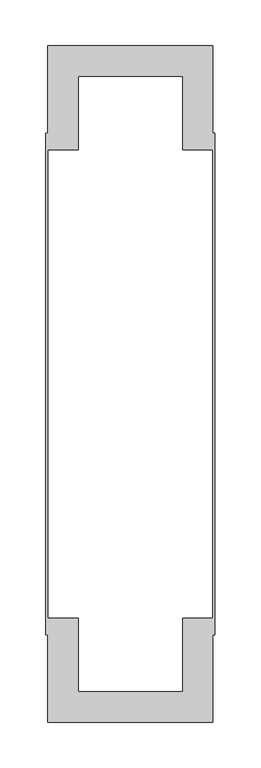
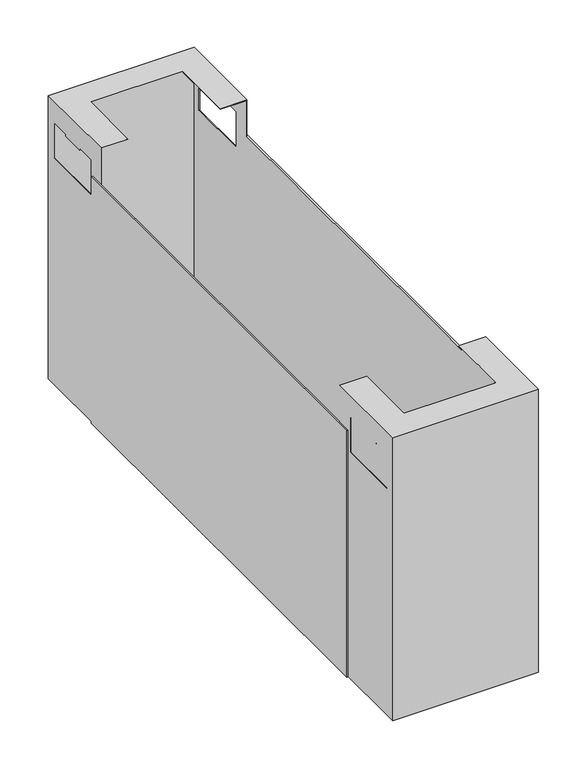
"""IFC4 building model written with IfcOpenShell, lengths in millimetres: furniture geometry."""

from ifc_helpers import new_model, si_unit, origin, place, context, project, spatial, triangles, source, transform, mapped, element, save


def furniture_08c7478b(model_context):
    return source(origin(), model_context, "Body", "Tessellation", [
        triangles([(3033.9151548, 8382.8883005, 442.1000133), (3212.1150335, 8382.8883005, 442.1000133), (3033.9151548, 8382.8883005, 73.0), (3212.1150335, 8382.8883005, 73.0), (3213.0152692, 8381.9883554, 442.9999947), (3180.0152486, 8414.9880853, 442.9999947), (3033.0152097, 8381.9883554, 442.9999947), (3066.0152303, 8414.9880853, 442.9999947), (3033.0152097, 8494.9884347, 442.9999947), (3066.0152303, 8494.9884347, 442.9999947), (3213.0152692, 8494.9884347, 442.9999947), (3180.0152486, 8494.9884347, 442.9999947), (3213.0152692, 8381.9883554, 73.0), (3033.0152097, 8381.9883554, 73.0), (3212.1150335, 8473.388009, 368.3000121), (3212.1150335, 8393.9882043, 368.3000121), (3212.1150335, 8393.9882043, 414.7000142), (3212.1150335, 8418.6884408, 414.7000142), (3212.1150335, 8448.6883539, 414.7000142), (3212.1150335, 8418.6884408, 412.1999851), (3212.1150335, 8448.6883539, 412.1999851), (3212.1150335, 8473.388009, 414.7000142), (3212.1150335, 8494.9884347, 442.1000133), (3212.1150335, 8494.9884347, 73.0), (3033.0152097, 8473.388009, 414.7000142), (3033.0152097, 8473.388009, 368.3000121), (3033.0152097, 8494.9884347, 73.0), (3033.0152097, 8448.6883539, 414.7000142), (3033.0152097, 8418.6884408, 414.7000142), (3033.0152097, 8393.9882043, 414.7000142), (3033.0152097, 8448.6883539, 412.1999851), (3033.0152097, 8418.6884408, 412.1999851), (3033.0152097, 8393.9882043, 368.3000121), (3180.0152486, 8414.9880853, 442.1000133), (3066.0152303, 8414.9880853, 442.1000133), (3033.9151548, 8494.9884347, 442.1000133), (3066.0152303, 8494.9884347, 442.1000133), (3180.0152486, 8494.9884347, 442.1000133), (3213.0152692, 8393.9882043, 368.3000121), (3213.0152692, 8393.9882043, 414.7000142), (3213.0152692, 8418.6884408, 414.7000142), (3213.0152692, 8473.388009, 368.3000121), (3213.0152692, 8494.9884347, 73.0), (3213.0152692, 8448.6883539, 414.7000142), (3213.0152692, 8473.388009, 414.7000142), (3213.0152692, 8418.6884408, 412.1999851), (3213.0152692, 8448.6883539, 412.1999851), (3033.9151548, 8393.9882043, 368.3000121), (3033.9151548, 8393.9882043, 414.7000142), (3033.9151548, 8418.6884408, 414.7000142), (3033.9151548, 8473.388009, 368.3000121), (3033.9151548, 8494.9884347, 73.0), (3033.9151548, 8448.6883539, 414.7000142), (3033.9151548, 8473.388009, 414.7000142), (3033.9151548, 8418.6884408, 412.1999851), (3033.9151548, 8448.6883539, 412.1999851), (3030.9150472, 8477.0383676, 73.0), (3033.0152097, 8477.0383676, 73.0), (3030.9150472, 8477.0383676, 395.0000175), (3033.0152097, 8477.0383676, 395.0000175), (3030.9150472, 9023.938125, 73.0), (3030.9150472, 9023.938125, 395.0000175), (3033.0152097, 9023.938125, 73.0), (3033.0152097, 9023.938125, 395.0000175), (3213.0152692, 8477.0383676, 73.0), (3215.1151411, 8477.0383676, 73.0), (3213.0152692, 8477.0383676, 395.0000175), (3215.1151411, 8477.0383676, 395.0000175), (3213.0152692, 9023.938125, 73.0), (3213.0152692, 9023.938125, 395.0000175), (3215.1151411, 9023.938125, 73.0), (3215.1151411, 9023.938125, 395.0000175), (3212.1150335, 9118.0881921, 442.1000133), (3033.9151548, 9118.0881921, 442.1000133), (3212.1150335, 9118.0881921, 73.0), (3033.9151548, 9118.0881921, 73.0), (3213.0152692, 9005.9880578, 442.9999947), (3213.0152692, 9118.9881372, 442.9999947), (3180.0152486, 9085.9884073, 442.9999947), (3033.0152097, 9118.9881372, 442.9999947), (3066.0152303, 9085.9884073, 442.9999947), (3033.0152097, 9005.9880578, 442.9999947), (3066.0152303, 9005.9880578, 442.9999947), (3180.0152486, 9005.9880578, 442.9999947), (3033.0152097, 9118.9881372, 73.0), (3213.0152692, 9118.9881372, 73.0), (3212.1150335, 9106.9882883, 368.3000121), (3212.1150335, 9027.5879022, 368.3000121), (3212.1150335, 9005.9880578, 73.0), (3212.1150335, 9005.9880578, 442.1000133), (3212.1150335, 9106.9882883, 414.7000142), (3212.1150335, 9082.2880517, 414.7000142), (3212.1150335, 9082.2880517, 412.1999851), (3212.1150335, 9052.2881387, 412.1999851), (3212.1150335, 9052.2881387, 414.7000142), (3212.1150335, 9027.5879022, 414.7000142), (3033.0152097, 9052.2881387, 414.7000142), (3033.0152097, 9027.5879022, 414.7000142), (3033.0152097, 9027.5879022, 368.3000121), (3033.0152097, 9005.9880578, 73.0), (3033.0152097, 9106.9882883, 368.3000121), (3033.0152097, 9106.9882883, 414.7000142), (3033.0152097, 9082.2880517, 414.7000142), (3033.0152097, 9082.2880517, 412.1999851), (3033.0152097, 9052.2881387, 412.1999851), (3180.0152486, 9085.9884073, 442.1000133), (3066.0152303, 9085.9884073, 442.1000133), (3033.9151548, 9005.9880578, 442.1000133), (3066.0152303, 9005.9880578, 442.1000133), (3180.0152486, 9005.9880578, 442.1000133), (3213.0152692, 9106.9882883, 368.3000121), (3213.0152692, 9027.5879022, 368.3000121), (3213.0152692, 9005.9880578, 73.0), (3213.0152692, 9027.5879022, 414.7000142), (3213.0152692, 9052.2881387, 414.7000142), (3213.0152692, 9082.2880517, 414.7000142), (3213.0152692, 9106.9882883, 414.7000142), (3213.0152692, 9052.2881387, 412.1999851), (3213.0152692, 9082.2880517, 412.1999851), (3033.9151548, 9106.9882883, 368.3000121), (3033.9151548, 9027.5879022, 368.3000121), (3033.9151548, 9005.9880578, 73.0), (3033.9151548, 9027.5879022, 414.7000142), (3033.9151548, 9052.2881387, 414.7000142), (3033.9151548, 9082.2880517, 414.7000142), (3033.9151548, 9106.9882883, 414.7000142), (3033.9151548, 9052.2881387, 412.1999851), (3033.9151548, 9082.2880517, 412.1999851)], [[1, 2, 3], [3, 2, 4], [5, 6, 7], [7, 6, 8], [7, 8, 9], [9, 8, 10], [5, 11, 6], [6, 11, 12], [5, 7, 13], [13, 7, 14], [15, 4, 16], [2, 16, 4], [16, 2, 17], [18, 17, 2], [19, 18, 2], [18, 19, 20], [20, 19, 21], [15, 22, 23], [24, 15, 23], [15, 24, 4], [23, 22, 19], [23, 19, 2], [26, 25, 9], [27, 26, 9], [26, 27, 14], [9, 25, 28], [9, 28, 7], [7, 28, 29], [7, 29, 30], [31, 32, 28], [28, 32, 29], [7, 30, 33], [7, 33, 14], [14, 33, 26], [23, 2, 34], [1, 34, 2], [34, 1, 35], [36, 35, 1], [35, 36, 37], [34, 38, 23], [34, 35, 6], [6, 35, 8], [6, 12, 34], [34, 12, 38], [13, 39, 5], [5, 39, 40], [5, 40, 41], [42, 39, 13], [42, 13, 43], [11, 42, 43], [5, 44, 11], [11, 44, 45], [11, 45, 42], [46, 47, 41], [41, 47, 44], [5, 41, 44], [35, 37, 8], [8, 37, 10], [3, 48, 1], [1, 48, 49], [1, 49, 50], [51, 48, 3], [51, 3, 52], [36, 51, 52], [1, 53, 36], [36, 53, 54], [36, 54, 51], [55, 56, 50], [50, 56, 53], [1, 50, 53], [25, 26, 54], [54, 26, 51], [26, 33, 51], [51, 33, 48], [33, 30, 48], [48, 30, 49], [55, 50, 32], [32, 50, 29], [32, 31, 55], [55, 31, 56], [30, 29, 49], [49, 29, 50], [28, 25, 53], [53, 25, 54], [31, 28, 56], [56, 28, 53], [39, 42, 16], [16, 42, 15], [42, 45, 15], [15, 45, 22], [40, 39, 17], [17, 39, 16], [20, 21, 46], [46, 21, 47], [46, 41, 20], [20, 41, 18], [41, 40, 18], [18, 40, 17], [21, 19, 47], [47, 19, 44], [45, 44, 22], [22, 44, 19], [38, 12, 23], [11, 23, 12], [43, 23, 11], [43, 24, 23], [24, 43, 4], [13, 4, 43], [14, 4, 13], [4, 14, 3], [27, 3, 14], [3, 27, 52], [52, 27, 36], [9, 36, 27], [10, 36, 9], [10, 37, 36], [57, 58, 59], [59, 58, 60], [61, 57, 62], [62, 57, 59], [63, 61, 64], [64, 61, 62], [58, 63, 60], [60, 63, 64], [64, 62, 60], [60, 62, 59], [58, 57, 63], [63, 57, 61], [65, 66, 67], [67, 66, 68], [69, 65, 70], [70, 65, 67], [71, 69, 72], [72, 69, 70], [66, 71, 68], [68, 71, 72], [72, 70, 68], [68, 70, 67], [66, 65, 71], [71, 65, 69], [73, 74, 75], [75, 74, 76], [77, 78, 79], [80, 79, 78], [79, 80, 81], [82, 81, 80], [81, 82, 83], [79, 84, 77], [80, 78, 85], [85, 78, 86], [88, 87, 75], [88, 75, 89], [90, 88, 89], [75, 87, 73], [73, 87, 91], [73, 91, 92], [93, 94, 92], [92, 94, 95], [73, 92, 95], [73, 95, 90], [90, 95, 96], [90, 96, 88], [97, 98, 82], [82, 98, 99], [82, 99, 100], [100, 99, 85], [85, 99, 101], [85, 101, 80], [80, 101, 102], [80, 102, 103], [104, 105, 103], [103, 105, 97], [80, 103, 97], [80, 97, 82], [73, 106, 74], [74, 106, 107], [74, 107, 108], [108, 107, 109], [73, 90, 106], [106, 90, 110], [79, 81, 106], [106, 81, 107], [106, 110, 79], [79, 110, 84], [78, 111, 86], [86, 111, 112], [86, 112, 113], [113, 112, 77], [77, 112, 114], [77, 114, 115], [77, 115, 78], [78, 115, 116], [78, 116, 117], [118, 119, 115], [115, 119, 116], [78, 117, 111], [109, 107, 83], [83, 107, 81], [74, 120, 76], [76, 120, 121], [76, 121, 122], [122, 121, 108], [108, 121, 123], [108, 123, 124], [108, 124, 74], [74, 124, 125], [74, 125, 126], [127, 128, 124], [124, 128, 125], [74, 126, 120], [99, 98, 121], [121, 98, 123], [101, 99, 120], [120, 99, 121], [102, 101, 126], [126, 101, 120], [125, 128, 103], [103, 128, 104], [128, 127, 104], [104, 127, 105], [103, 102, 125], [125, 102, 126], [98, 97, 123], [123, 97, 124], [97, 105, 124], [124, 105, 127], [112, 111, 88], [88, 111, 87], [114, 112, 96], [96, 112, 88], [111, 117, 87], [87, 117, 91], [94, 93, 118], [118, 93, 119], [93, 92, 119], [119, 92, 116], [117, 116, 91], [91, 116, 92], [95, 94, 115], [115, 94, 118], [115, 114, 95], [95, 114, 96], [113, 77, 90], [84, 90, 77], [90, 84, 110], [90, 89, 113], [85, 86, 75], [113, 75, 86], [75, 113, 89], [75, 76, 85], [85, 76, 100], [100, 76, 122], [83, 82, 108], [100, 108, 82], [108, 100, 122], [108, 109, 83]]),
    ])


if __name__ == "__main__":
    model = new_model("IFC4")
    model_context = context("Model", 3, world=origin())
    ifc_project = project(units=[si_unit("LENGTHUNIT", "METRE", prefix="MILLI")], contexts=[model_context])
    site = spatial("IfcSite", under=ifc_project)
    building = spatial("IfcBuilding", under=site)
    placement = place(None, origin())
    furniture_shape = furniture_08c7478b(model_context)
    element("IfcFurniture", 1, at=placement, inside=building, context=model_context, shape_type="MappedRepresentation", body=[
        mapped(furniture_shape, transform((0.0, 0.0, 0.0), x_axis=(1.0, 0.0, 0.0), y_axis=(0.0, 1.0, 0.0), z_axis=(0.0, 0.0, 1.0))),
    ])
    save(model, "model.ifc")
